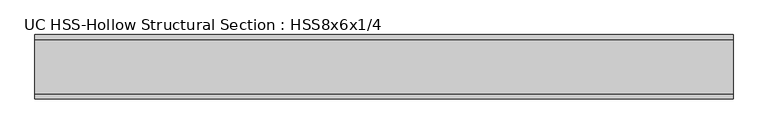
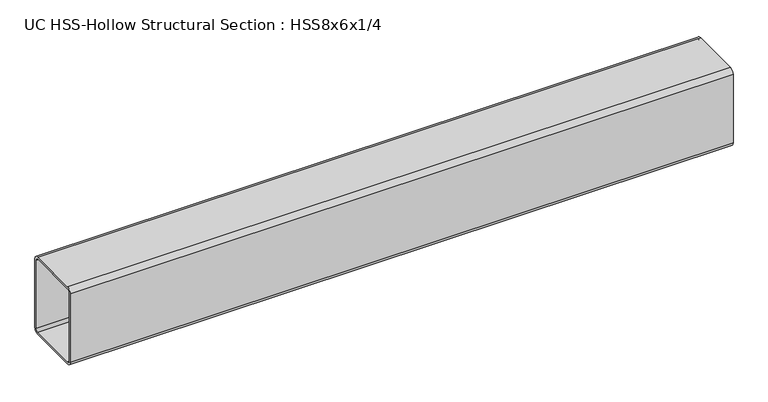
"""IFC4 building model written with IfcOpenShell, lengths in millimetres: beam geometry, UC HSS-Hollow Structural Section : HSS8x6x1/4."""

from ifc_helpers import new_model, si_unit, point, frame, frame_2d, origin, place, context, project, spatial, polyline, circle_curve, trimmed, segment, composite_curve, outline, extrude, source, transform, mapped, element, save


def uc_hss_hollow_structural_section_hss8x6x1_4_2a5498de(model_context):
    return source(origin(), model_context, "Body", "SweptSolid", [
        extrude(outline(composite_curve([segment(polyline([(76.2, 89.7636), (76.2, -89.7636)]), True, "CONTINUOUS"), segment(trimmed(circle_curve(frame_2d((64.3636, -89.7636)), 11.8364), [point((76.2, -89.7636))], [point((64.3636, -101.6))], False, "CARTESIAN"), True, "CONTINUOUS"), segment(polyline([(64.3636, -101.6), (-64.3636, -101.6)]), True, "CONTINUOUS"), segment(trimmed(circle_curve(frame_2d((-64.3636, -89.7636)), 11.8364), [point((-64.3636, -101.6))], [point((-76.2, -89.7636))], False, "CARTESIAN"), True, "CONTINUOUS"), segment(polyline([(-76.2, -89.7636), (-76.2, 89.7636)]), True, "CONTINUOUS"), segment(trimmed(circle_curve(frame_2d((-64.3636, 89.7636)), 11.8364), [point((-76.2, 89.7636))], [point((-64.3636, 101.6))], False, "CARTESIAN"), True, "CONTINUOUS"), segment(polyline([(-64.3636, 101.6), (64.3636, 101.6)]), True, "CONTINUOUS"), segment(trimmed(circle_curve(frame_2d((64.3636, 89.7636)), 11.8364), [point((64.3636, 101.6))], [point((76.2, 89.7636))], False, "CARTESIAN"), True, "CONTINUOUS")], self_intersect=False), holes=[composite_curve([segment(trimmed(circle_curve(frame_2d((-64.3636, 89.7636)), 5.9182), [point((-64.3636, 95.6818))], [point((-70.2818, 89.7636))], True, "CARTESIAN"), True, "CONTINUOUS"), segment(polyline([(-70.2818, 89.7636), (-70.2818, -89.7636)]), True, "CONTINUOUS"), segment(trimmed(circle_curve(frame_2d((-64.3636, -89.7636)), 5.9182), [point((-70.2818, -89.7636))], [point((-64.3636, -95.6818))], True, "CARTESIAN"), True, "CONTINUOUS"), segment(polyline([(-64.3636, -95.6818), (64.3636, -95.6818)]), True, "CONTINUOUS"), segment(trimmed(circle_curve(frame_2d((64.3636, -89.7636)), 5.9182), [point((64.3636, -95.6818))], [point((70.2818, -89.7636))], True, "CARTESIAN"), True, "CONTINUOUS"), segment(polyline([(70.2818, -89.7636), (70.2818, 89.7636)]), True, "CONTINUOUS"), segment(trimmed(circle_curve(frame_2d((64.3636, 89.7636)), 5.9182), [point((70.2818, 89.7636))], [point((64.3636, 95.6818))], True, "CARTESIAN"), True, "CONTINUOUS"), segment(polyline([(64.3636, 95.6818), (-64.3636, 95.6818)]), True, "CONTINUOUS")], self_intersect=False)]), frame((-456.707498, 0.0, 0.0), z_axis=(1.0, 0.0, 0.0), x_axis=(0.0, 1.0, 0.0)), (0.0, 0.0, 1.0), 1651.8550251),
    ])


if __name__ == "__main__":
    model = new_model("IFC4")
    model_context = context("Model", 3, world=origin())
    ifc_project = project(units=[si_unit("LENGTHUNIT", "METRE", prefix="MILLI")], contexts=[model_context])
    site = spatial("IfcSite", under=ifc_project)
    building = spatial("IfcBuilding", under=site)
    placement = place(None, origin())
    uc_hss_hollow_structural_section_hss8x6x1_4_shape = uc_hss_hollow_structural_section_hss8x6x1_4_2a5498de(model_context)
    element("IfcBeam", 1, ObjectType="UC HSS-Hollow Structural Section : HSS8x6x1/4", at=placement, inside=building, context=model_context, shape_type="MappedRepresentation", body=[
        mapped(uc_hss_hollow_structural_section_hss8x6x1_4_shape, transform((0.0, 0.0, 0.0), x_axis=(1.0, 0.0, 0.0), y_axis=(0.0, 1.0, 0.0), z_axis=(0.0, 0.0, 1.0))),
    ])
    save(model, "model.ifc")
